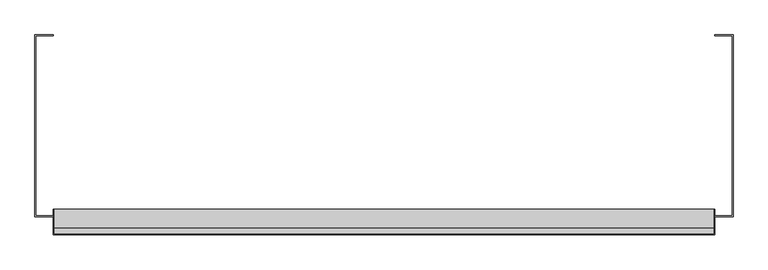
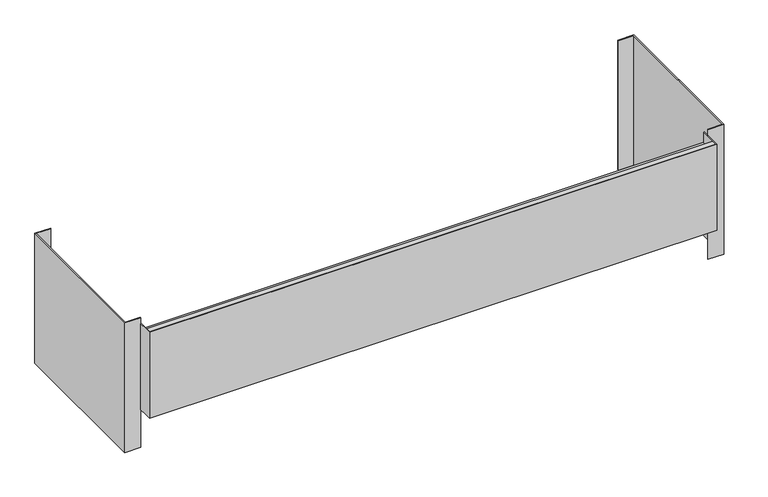
"""IFC4 building model written with IfcOpenShell, lengths in millimetres: furniture geometry."""

from ifc_helpers import new_model, si_unit, frame, origin, place, context, project, spatial, polyline, outline, extrude, source, transform, mapped, element, save


def furniture_19645698(model_context):
    return source(origin(), model_context, "Body", "SweptSolid", [
        extrude(outline(polyline([(-609.6, -126.20625), (-577.8500008, -126.20625), (-577.8500008, -127.79375), (-608.0125, -127.79375), (-608.0125, -442.1187621), (-577.8500008, -442.1187621), (-577.8500008, -443.7062621), (-609.6, -443.7062621), (-609.6, -126.20625)])), frame((0.0, 0.0, 211.92998), z_axis=(0.0, 0.0, 1.0), x_axis=(1.0, 0.0, 0.0)), (0.0, 0.0, 1.0), 279.4),
        extrude(outline(polyline([(577.8500121, -126.20625), (609.6, -126.20625), (609.6, -443.7062621), (577.8500121, -443.7062621), (577.8500121, -442.1187621), (608.0125, -442.1187621), (608.0125, -127.79375), (577.8500121, -127.79375), (577.8500121, -126.20625)])), frame((0.0, 0.0, 211.92998), z_axis=(0.0, 0.0, 1.0), x_axis=(1.0, 0.0, 0.0)), (0.0, 0.0, 1.0), 279.4),
        extrude(outline(polyline([(577.8500121, -431.0062561), (577.8500121, -475.45625), (-577.8500008, -475.45625), (-577.8500008, -431.0062561), (-576.2625008, -431.0062561), (-576.2625008, -473.86875), (576.2625121, -473.86875), (576.2625121, -431.0062561), (577.8500121, -431.0062561)])), frame((0.0, 0.0, 294.4799679), z_axis=(0.0, 0.0, 1.0), x_axis=(1.0, 0.0, 0.0)), (0.0, 0.0, 1.0), 184.1500242),
        extrude(outline(polyline([(576.2625121, -463.5182614), (576.2625121, -473.86875), (-576.2625008, -473.86875), (-576.2625008, -463.5182614), (576.2625121, -463.5182614)])), frame((0.0, 0.0, 469.1049921), z_axis=(0.0, 0.0, 1.0), x_axis=(1.0, 0.0, 0.0)), (0.0, 0.0, 1.0), 9.525),
        extrude(outline(polyline([(576.2625121, -431.0062561), (576.2625121, -473.86875), (-576.2625008, -473.86875), (-576.2625008, -431.0062561), (576.2625121, -431.0062561)])), frame((0.0, 0.0, 294.4799679), z_axis=(0.0, 0.0, 1.0), x_axis=(1.0, 0.0, 0.0)), (0.0, 0.0, 1.0), 161.9250363),
    ])


if __name__ == "__main__":
    model = new_model("IFC4")
    model_context = context("Model", 3, world=origin())
    ifc_project = project(units=[si_unit("LENGTHUNIT", "METRE", prefix="MILLI")], contexts=[model_context])
    site = spatial("IfcSite", under=ifc_project)
    building = spatial("IfcBuilding", under=site)
    placement = place(None, origin())
    furniture_shape = furniture_19645698(model_context)
    element("IfcFurniture", 1, at=placement, inside=building, context=model_context, shape_type="MappedRepresentation", body=[
        mapped(furniture_shape, transform((0.0, 0.0, 0.0), x_axis=(1.0, 0.0, 0.0), y_axis=(0.0, 1.0, 0.0), z_axis=(0.0, 0.0, 1.0))),
    ])
    save(model, "model.ifc")
